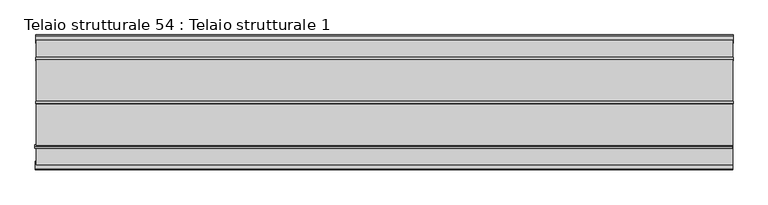
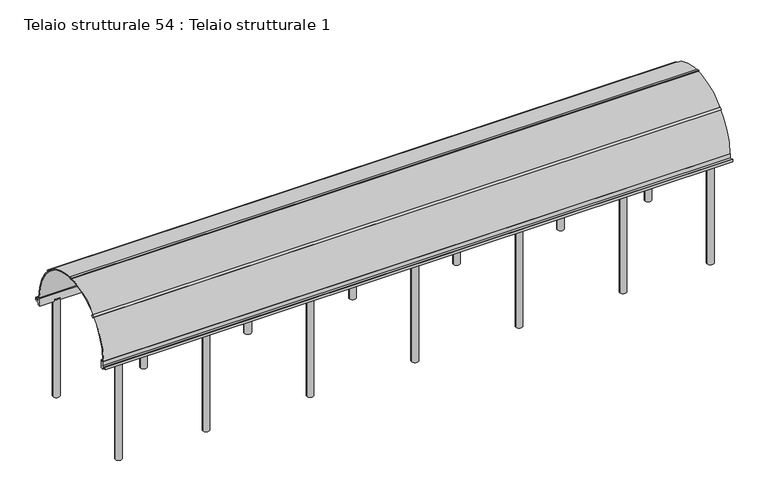
"""IFC4 building model written with IfcOpenShell, lengths in millimetres: beam geometry, Telaio strutturale 54 : Telaio strutturale 1."""

from ifc_helpers import new_model, si_unit, point, frame, frame_2d, origin, place, context, project, spatial, polyline, circle_curve, trimmed, segment, composite_curve, outline, extrude, source, transform, mapped, element, save


def telaio_strutturale_54_telaio_strutturale_1_4f57bef0(model_context):
    return source(origin(), model_context, "Body", "SweptSolid", [
        extrude(outline(composite_curve([segment(trimmed(circle_curve(frame_2d((-39158.8542614, -10.4662985)), 1668.3820441), [point((-40826.6041992, 35.4552608))], [point((-37491.1276887, 36.2961189))], False, "CARTESIAN"), True, "CONTINUOUS"), segment(polyline([(-37491.1276887, 36.2961189), (-37521.1396957, 36.2961189)]), True, "CONTINUOUS"), segment(trimmed(circle_curve(frame_2d((-39158.8542614, -10.4662985)), 1638.3820441), [point((-37521.1396957, 36.2961189))], [point((-40796.5926204, 35.4552608))], True, "CARTESIAN"), True, "CONTINUOUS"), segment(polyline([(-40796.5926204, 35.4552608), (-40826.6041992, 35.4552608)]), True, "CONTINUOUS")], self_intersect=False)), frame((-85161.1768989, 0.0, 0.0), z_axis=(1.0, 0.0, 0.0), x_axis=(0.0, 1.0, 0.0)), (0.0, 0.0, 1.0), 18656.8135053),
        extrude(outline(polyline([(0.0, -55.0), (0.0, 0.0), (18683.2852134, 0.0), (18683.2852134, -55.0), (0.0, -55.0)])), frame((-66512.8132188, -40381.6778762, 1165.109127), z_axis=(0.0, 0.7071067811864675, 0.7071067811866275), x_axis=(-1.0, 0.0, 0.0)), (0.0, 0.0, 1.0), 70.0),
        extrude(outline(polyline([(0.0, -70.0), (0.0, 0.0), (18683.2852134, 0.0), (18683.2852134, -70.0), (0.0, -70.0)])), frame((-66491.8167, -39197.8809386, 1616.4666673), z_axis=(0.0, 0.04353870339343771, 0.9990517410558966), x_axis=(-1.0, 0.0, 0.0)), (0.0, 0.0, 1.0), 55.0),
        extrude(outline(polyline([(0.0, -70.0), (0.0, 0.0), (18683.2852134, 0.0), (18683.2852134, -70.0), (0.0, -70.0)])), frame((-66491.8167, -38037.6593304, 1175.7157288), z_axis=(0.0, 0.7071067811865911, 0.707106781186504), x_axis=(-1.0, 0.0, 0.0)), (0.0, 0.0, 1.0), 55.0),
        extrude(outline(polyline([(-80.0, 0.0), (0.0, 0.0), (0.0, -128.9010238), (120.0000001, -128.9010238), (120.0000001, -88.9010238), (140.0, -88.9010238), (140.0, -168.9010238), (0.0, -168.9010238), (0.0, -240.0), (-80.0, -240.0), (-80.0, 0.0)])), frame((-66499.0827175, -40826.5816824, 36.2961189), z_axis=(-0.9999999436425556, 0.00033573037642447, 0.0), x_axis=(-0.00033573037642447, -0.9999999436425556, 0.0)), (0.0, 0.0, 1.0), 18683.2852134),
        extrude(outline(composite_curve([segment(trimmed(circle_curve(frame_2d((-84677.9943267, -40770.1927657)), 100.0), [point((-84777.9943267, -40770.1927657))], [point((-84577.9943267, -40770.1927657))], False, "CARTESIAN"), True, "CONTINUOUS"), segment(trimmed(circle_curve(frame_2d((-84677.9943267, -40770.1927657)), 100.0), [point((-84577.9943267, -40770.1927657))], [point((-84777.9943267, -40770.1927657))], False, "CARTESIAN"), True, "CONTINUOUS")], self_intersect=False)), frame((0.0, 0.0, -3215.5), z_axis=(0.0, 0.0, 1.0), x_axis=(1.0, 0.0, 0.0)), (0.0, 0.0, 1.0), 3082.8950951),
        extrude(outline(composite_curve([segment(trimmed(circle_curve(frame_2d((-82081.0258598, -40778.7187239)), 100.0), [point((-82181.0258598, -40778.7187239))], [point((-81981.0258598, -40778.7187239))], False, "CARTESIAN"), True, "CONTINUOUS"), segment(trimmed(circle_curve(frame_2d((-82081.0258598, -40778.7187239)), 100.0), [point((-81981.0258598, -40778.7187239))], [point((-82181.0258598, -40778.7187239))], False, "CARTESIAN"), True, "CONTINUOUS")], self_intersect=False)), frame((0.0, 0.0, -3215.5), z_axis=(0.0, 0.0, 1.0), x_axis=(1.0, 0.0, 0.0)), (0.0, 0.0, 1.0), 3082.8950951),
        extrude(outline(composite_curve([segment(trimmed(circle_curve(frame_2d((-78981.0258598, -40778.7187239)), 100.0), [point((-79081.0258598, -40778.7187239))], [point((-78881.0258598, -40778.7187239))], False, "CARTESIAN"), True, "CONTINUOUS"), segment(trimmed(circle_curve(frame_2d((-78981.0258598, -40778.7187239)), 100.0), [point((-78881.0258598, -40778.7187239))], [point((-79081.0258598, -40778.7187239))], False, "CARTESIAN"), True, "CONTINUOUS")], self_intersect=False)), frame((0.0, 0.0, -3215.5), z_axis=(0.0, 0.0, 1.0), x_axis=(1.0, 0.0, 0.0)), (0.0, 0.0, 1.0), 3082.8950951),
        extrude(outline(composite_curve([segment(trimmed(circle_curve(frame_2d((-75861.0258598, -40778.7187239)), 100.0), [point((-75961.0258598, -40778.7187239))], [point((-75761.0258598, -40778.7187239))], False, "CARTESIAN"), True, "CONTINUOUS"), segment(trimmed(circle_curve(frame_2d((-75861.0258598, -40778.7187239)), 100.0), [point((-75761.0258598, -40778.7187239))], [point((-75961.0258598, -40778.7187239))], False, "CARTESIAN"), True, "CONTINUOUS")], self_intersect=False)), frame((0.0, 0.0, -3215.5), z_axis=(0.0, 0.0, 1.0), x_axis=(1.0, 0.0, 0.0)), (0.0, 0.0, 1.0), 3082.8950951),
        extrude(outline(composite_curve([segment(trimmed(circle_curve(frame_2d((-72761.0258598, -40778.7187239)), 100.0), [point((-72861.0258598, -40778.7187239))], [point((-72661.0258598, -40778.7187239))], False, "CARTESIAN"), True, "CONTINUOUS"), segment(trimmed(circle_curve(frame_2d((-72761.0258598, -40778.7187239)), 100.0), [point((-72661.0258598, -40778.7187239))], [point((-72861.0258598, -40778.7187239))], False, "CARTESIAN"), True, "CONTINUOUS")], self_intersect=False)), frame((0.0, 0.0, -3215.5), z_axis=(0.0, 0.0, 1.0), x_axis=(1.0, 0.0, 0.0)), (0.0, 0.0, 1.0), 3082.8950951),
        extrude(outline(composite_curve([segment(trimmed(circle_curve(frame_2d((-69661.0258598, -40778.7187239)), 100.0), [point((-69761.0258598, -40778.7187239))], [point((-69561.0258598, -40778.7187239))], False, "CARTESIAN"), True, "CONTINUOUS"), segment(trimmed(circle_curve(frame_2d((-69661.0258598, -40778.7187239)), 100.0), [point((-69561.0258598, -40778.7187239))], [point((-69761.0258598, -40778.7187239))], False, "CARTESIAN"), True, "CONTINUOUS")], self_intersect=False)), frame((0.0, 0.0, -3215.5), z_axis=(0.0, 0.0, 1.0), x_axis=(1.0, 0.0, 0.0)), (0.0, 0.0, 1.0), 3082.8950951),
        extrude(outline(composite_curve([segment(trimmed(circle_curve(frame_2d((-67061.0258598, -40778.7187239)), 100.0), [point((-67161.0258598, -40778.7187239))], [point((-66961.0258598, -40778.7187239))], False, "CARTESIAN"), True, "CONTINUOUS"), segment(trimmed(circle_curve(frame_2d((-67061.0258598, -40778.7187239)), 100.0), [point((-66961.0258598, -40778.7187239))], [point((-67161.0258598, -40778.7187239))], False, "CARTESIAN"), True, "CONTINUOUS")], self_intersect=False)), frame((0.0, 0.0, -3215.5), z_axis=(0.0, 0.0, 1.0), x_axis=(1.0, 0.0, 0.0)), (0.0, 0.0, 1.0), 3082.8950951),
        extrude(outline(polyline([(-37571.1276887, 36.2961189), (-37491.1276887, 36.2961189), (-37491.1276887, -92.6049049), (-37371.1276887, -92.6049049), (-37371.1276887, -52.6049049), (-37351.1276887, -52.6049049), (-37351.1276887, -132.6049049), (-37491.1276887, -132.6049049), (-37491.1276887, -203.7038811), (-37571.1276887, -203.7038811), (-37571.1276887, 36.2961189)])), frame((-85175.1019134, 0.0, 0.0), z_axis=(1.0, 0.0, 0.0), x_axis=(0.0, 1.0, 0.0)), (0.0, 0.0, 1.0), 18683.2852134),
        extrude(outline(composite_curve([segment(trimmed(circle_curve(frame_2d((-84657.6503011, -37516.8752426)), 100.0), [point((-84757.6503011, -37516.8752426))], [point((-84557.6503011, -37516.8752426))], False, "CARTESIAN"), True, "CONTINUOUS"), segment(trimmed(circle_curve(frame_2d((-84657.6503011, -37516.8752426)), 100.0), [point((-84557.6503011, -37516.8752426))], [point((-84757.6503011, -37516.8752426))], False, "CARTESIAN"), True, "CONTINUOUS")], self_intersect=False)), frame((0.0, 0.0, -3215.5), z_axis=(0.0, 0.0, 1.0), x_axis=(1.0, 0.0, 0.0)), (0.0, 0.0, 1.0), 3082.8950951),
        extrude(outline(composite_curve([segment(trimmed(circle_curve(frame_2d((-82060.6818342, -37525.4012008)), 100.0), [point((-82160.6818342, -37525.4012008))], [point((-81960.6818342, -37525.4012008))], False, "CARTESIAN"), True, "CONTINUOUS"), segment(trimmed(circle_curve(frame_2d((-82060.6818342, -37525.4012008)), 100.0), [point((-81960.6818342, -37525.4012008))], [point((-82160.6818342, -37525.4012008))], False, "CARTESIAN"), True, "CONTINUOUS")], self_intersect=False)), frame((0.0, 0.0, -3215.5), z_axis=(0.0, 0.0, 1.0), x_axis=(1.0, 0.0, 0.0)), (0.0, 0.0, 1.0), 3082.8950951),
        extrude(outline(composite_curve([segment(trimmed(circle_curve(frame_2d((-78960.6818342, -37525.4012008)), 100.0), [point((-79060.6818342, -37525.4012008))], [point((-78860.6818342, -37525.4012008))], False, "CARTESIAN"), True, "CONTINUOUS"), segment(trimmed(circle_curve(frame_2d((-78960.6818342, -37525.4012008)), 100.0), [point((-78860.6818342, -37525.4012008))], [point((-79060.6818342, -37525.4012008))], False, "CARTESIAN"), True, "CONTINUOUS")], self_intersect=False)), frame((0.0, 0.0, -3215.5), z_axis=(0.0, 0.0, 1.0), x_axis=(1.0, 0.0, 0.0)), (0.0, 0.0, 1.0), 3082.8950951),
        extrude(outline(composite_curve([segment(trimmed(circle_curve(frame_2d((-75840.6818342, -37525.4012008)), 100.0), [point((-75940.6818342, -37525.4012008))], [point((-75740.6818342, -37525.4012008))], False, "CARTESIAN"), True, "CONTINUOUS"), segment(trimmed(circle_curve(frame_2d((-75840.6818342, -37525.4012008)), 100.0), [point((-75740.6818342, -37525.4012008))], [point((-75940.6818342, -37525.4012008))], False, "CARTESIAN"), True, "CONTINUOUS")], self_intersect=False)), frame((0.0, 0.0, -3215.5), z_axis=(0.0, 0.0, 1.0), x_axis=(1.0, 0.0, 0.0)), (0.0, 0.0, 1.0), 3082.8950951),
        extrude(outline(composite_curve([segment(trimmed(circle_curve(frame_2d((-72740.6818342, -37525.4012008)), 100.0), [point((-72840.6818342, -37525.4012008))], [point((-72640.6818342, -37525.4012008))], False, "CARTESIAN"), True, "CONTINUOUS"), segment(trimmed(circle_curve(frame_2d((-72740.6818342, -37525.4012008)), 100.0), [point((-72640.6818342, -37525.4012008))], [point((-72840.6818342, -37525.4012008))], False, "CARTESIAN"), True, "CONTINUOUS")], self_intersect=False)), frame((0.0, 0.0, -3215.5), z_axis=(0.0, 0.0, 1.0), x_axis=(1.0, 0.0, 0.0)), (0.0, 0.0, 1.0), 3082.8950951),
        extrude(outline(composite_curve([segment(trimmed(circle_curve(frame_2d((-69640.6818342, -37525.4012008)), 100.0), [point((-69740.6818342, -37525.4012008))], [point((-69540.6818342, -37525.4012008))], False, "CARTESIAN"), True, "CONTINUOUS"), segment(trimmed(circle_curve(frame_2d((-69640.6818342, -37525.4012008)), 100.0), [point((-69540.6818342, -37525.4012008))], [point((-69740.6818342, -37525.4012008))], False, "CARTESIAN"), True, "CONTINUOUS")], self_intersect=False)), frame((0.0, 0.0, -3215.5), z_axis=(0.0, 0.0, 1.0), x_axis=(1.0, 0.0, 0.0)), (0.0, 0.0, 1.0), 3082.8950951),
        extrude(outline(composite_curve([segment(trimmed(circle_curve(frame_2d((-67040.6818342, -37525.4012008)), 100.0), [point((-67140.6818342, -37525.4012008))], [point((-66940.6818342, -37525.4012008))], False, "CARTESIAN"), True, "CONTINUOUS"), segment(trimmed(circle_curve(frame_2d((-67040.6818342, -37525.4012008)), 100.0), [point((-66940.6818342, -37525.4012008))], [point((-67140.6818342, -37525.4012008))], False, "CARTESIAN"), True, "CONTINUOUS")], self_intersect=False)), frame((0.0, 0.0, -3215.5), z_axis=(0.0, 0.0, 1.0), x_axis=(1.0, 0.0, 0.0)), (0.0, 0.0, 1.0), 3082.8950951),
    ])


if __name__ == "__main__":
    model = new_model("IFC4")
    model_context = context("Model", 3, world=origin())
    ifc_project = project(units=[si_unit("LENGTHUNIT", "METRE", prefix="MILLI")], contexts=[model_context])
    site = spatial("IfcSite", under=ifc_project)
    building = spatial("IfcBuilding", under=site)
    placement = place(None, origin())
    telaio_strutturale_54_telaio_strutturale_1_shape = telaio_strutturale_54_telaio_strutturale_1_4f57bef0(model_context)
    element("IfcBeam", 1, ObjectType="Telaio strutturale 54 : Telaio strutturale 1", at=placement, inside=building, context=model_context, shape_type="MappedRepresentation", body=[
        mapped(telaio_strutturale_54_telaio_strutturale_1_shape, transform((0.0, 0.0, 0.0), x_axis=(1.0, 0.0, 0.0), y_axis=(0.0, 1.0, 0.0), z_axis=(0.0, 0.0, 1.0))),
    ])
    save(model, "model.ifc")
